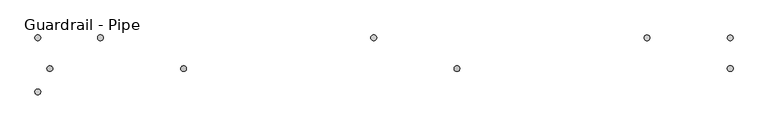
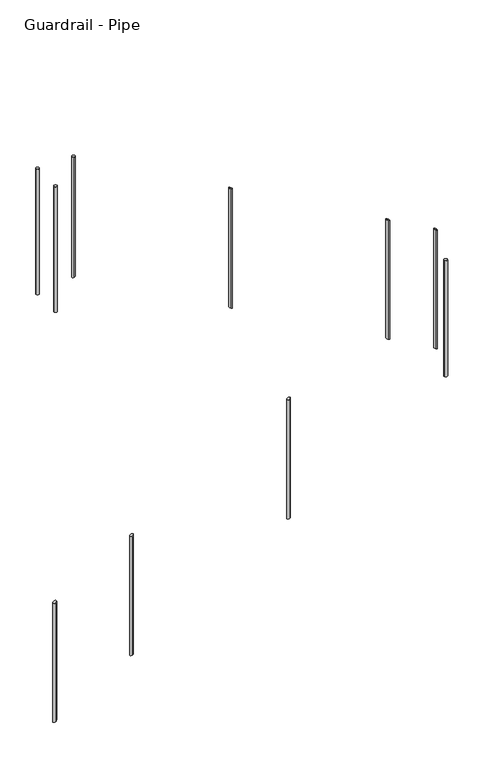
"""IFC4 building model written with IfcOpenShell, lengths in millimetres: railing geometry, Guardrail - Pipe."""

from ifc_helpers import new_model, si_unit, point, frame, frame_2d, origin, place, context, project, spatial, circle_curve, ellipse_curve, trimmed, segment, composite_curve, outline, extrude, source, transform, mapped, element, save
from ifc_brep_helpers import plane_surface, cylinder_surface, advanced_brep


def guardrail_pipe_02551e06(model_context):
    return source(origin(), model_context, "Body", "SolidModel", [
        advanced_brep(
        [(3325.1452881, -22477.3087769, 5491.3530083), (3325.1452881, -22477.3087769, 4518.1424099), (3325.1452881, -22502.7087769, 4518.1424099), (3325.1452881, -22502.7087769, 5491.3530083)],
        [
            (0, 1),
            (1, 2, ellipse_curve(frame((3325.1452881, -22490.0087769, 4518.1424099), z_axis=(-0.49465847024287274, 0.0, 0.8690874511906044), x_axis=(0.8690874511906044, 0.0, 0.49465847024287246)), 14.6130289, 12.7)),
            (2, 3),
            (3, 0, ellipse_curve(frame((3325.1452881, -22490.0087769, 5491.3530083), z_axis=(0.49465847024287474, 0.0, -0.8690874511906033), x_axis=(0.8690874511906034, 0.0, 0.4946584702428743)), 14.6130289, 12.7)),
            (0, 3, ellipse_curve(frame((3325.1452881, -22490.0087769, 5491.3530083), z_axis=(0.49465847024287474, 0.0, -0.8690874511906033), x_axis=(0.8690874511906034, 0.0, 0.4946584702428743)), 14.6130289, 12.7)),
            (2, 1, ellipse_curve(frame((3325.1452881, -22490.0087769, 4518.1424099), z_axis=(-0.49465847024287274, 0.0, 0.8690874511906044), x_axis=(0.8690874511906044, 0.0, 0.49465847024287246)), 14.6130289, 12.7)),
        ],
        [
            cylinder_surface(frame((3325.1452881, -22490.0087769, 4289.5424099), z_axis=(0.0, 0.0, 1.0), x_axis=(0.0, -1.0, 0.0)), 12.7),
            plane_surface(frame((3299.7452881, -22515.4087769, 5476.8960913), z_axis=(-0.49465847024287474, 0.0, 0.8690874511906033), x_axis=(0.0, 1.0, 0.0))),
            plane_surface(frame((3350.5452881, -22515.4087769, 4532.5993269), z_axis=(0.49465847024287274, 0.0, -0.8690874511906044), x_axis=(0.0, 1.0, 0.0))),
        ],
        [
            (0, [[1, 2, 3, 4]]),
            (0, [[-1, 5, -3, 6]]),
            (1, [[-4, -5]]),
            (2, [[-2, -6]]),
        ],
    ),
        advanced_brep(
        [(4544.3452881, -22477.3087769, 6185.2850241), (4544.3452881, -22477.3087769, 5212.0744257), (4544.3452881, -22502.7087769, 5212.0744257), (4544.3452881, -22502.7087769, 6185.2850241)],
        [
            (0, 1),
            (1, 2, ellipse_curve(frame((4544.3452881, -22490.0087769, 5212.0744257), z_axis=(-0.49465847024287274, 0.0, 0.8690874511906044), x_axis=(0.8690874511906044, 0.0, 0.49465847024287246)), 14.6130289, 12.7)),
            (2, 3),
            (3, 0, ellipse_curve(frame((4544.3452881, -22490.0087769, 6185.2850241), z_axis=(0.49465847024287474, 0.0, -0.8690874511906033), x_axis=(0.8690874511906034, 0.0, 0.4946584702428743)), 14.6130289, 12.7)),
            (0, 3, ellipse_curve(frame((4544.3452881, -22490.0087769, 6185.2850241), z_axis=(0.49465847024287474, 0.0, -0.8690874511906033), x_axis=(0.8690874511906034, 0.0, 0.4946584702428743)), 14.6130289, 12.7)),
            (2, 1, ellipse_curve(frame((4544.3452881, -22490.0087769, 5212.0744257), z_axis=(-0.49465847024287274, 0.0, 0.8690874511906044), x_axis=(0.8690874511906044, 0.0, 0.49465847024287246)), 14.6130289, 12.7)),
        ],
        [
            cylinder_surface(frame((4544.3452881, -22490.0087769, 4983.4744257), z_axis=(0.0, 0.0, 1.0), x_axis=(0.0, -1.0, 0.0)), 12.7),
            plane_surface(frame((4518.9452881, -22515.4087769, 6170.8281071), z_axis=(-0.49465847024287474, 0.0, 0.8690874511906033), x_axis=(0.0, 1.0, 0.0))),
            plane_surface(frame((4569.7452881, -22515.4087769, 5226.5313427), z_axis=(0.49465847024287274, 0.0, -0.8690874511906044), x_axis=(0.0, 1.0, 0.0))),
        ],
        [
            (0, [[1, 2, 3, 4]]),
            (0, [[-1, 5, -3, 6]]),
            (1, [[-4, -5]]),
            (2, [[-2, -6]]),
        ],
    ),
        advanced_brep(
        [(5392.1904629, -22365.5340928, 7275.3978312), (5392.1904629, -22365.5340928, 6300.8777259), (5392.1904629, -22340.1340928, 6300.8777259), (5392.1904629, -22340.1340928, 7275.3978312)],
        [
            (0, 1),
            (1, 2, ellipse_curve(frame((5392.1904629, -22352.8340928, 6300.8777259), z_axis=(0.4886065085000147, 0.0, 0.872504257784124), x_axis=(-0.872504257784124, 0.0, 0.4886065085000147)), 14.5558029, 12.7)),
            (2, 3),
            (3, 0, ellipse_curve(frame((5392.1904629, -22352.8340928, 7275.3978312), z_axis=(-0.4892060854708135, 0.0, -0.8721682211238398), x_axis=(-0.87216822112384, 0.0, 0.48920608547081335)), 14.5614111, 12.7)),
            (0, 3, ellipse_curve(frame((5392.1904629, -22352.8340928, 7275.3978312), z_axis=(-0.4892060854708135, 0.0, -0.8721682211238398), x_axis=(-0.87216822112384, 0.0, 0.48920608547081335)), 14.5614111, 12.7)),
            (2, 1, ellipse_curve(frame((5392.1904629, -22352.8340928, 6300.8777259), z_axis=(0.4886065085000147, 0.0, 0.872504257784124), x_axis=(-0.872504257784124, 0.0, 0.4886065085000147)), 14.5558029, 12.7)),
        ],
        [
            cylinder_surface(frame((5392.1904629, -22352.8340928, 6072.2777259), z_axis=(0.0, 0.0, 1.0), x_axis=(0.0, 1.0, 0.0)), 12.7),
            plane_surface(frame((5417.5904629, -22327.4340928, 7261.1507694), z_axis=(0.4892060854708135, 0.0, 0.8721682211238398), x_axis=(0.0, -1.0, 0.0))),
            plane_surface(frame((5366.7904629, -22327.4340928, 6315.1018459), z_axis=(-0.4886065085000147, 0.0, -0.872504257784124), x_axis=(0.0, -1.0, 0.0))),
        ],
        [
            (0, [[1, 2, 3, 4]]),
            (0, [[-1, 5, -3, 6]]),
            (1, [[-4, -5]]),
            (2, [[-2, -6]]),
        ],
    ),
        advanced_brep(
        [(4172.9904629, -22365.5340928, 7959.256799), (4172.9904629, -22365.5340928, 6983.6354888), (4172.9904629, -22340.1340928, 6983.6354888), (4172.9904629, -22340.1340928, 7959.256799)],
        [
            (0, 1),
            (1, 2, ellipse_curve(frame((4172.9904629, -22352.8340928, 6983.6354888), z_axis=(0.4886065085000147, 0.0, 0.872504257784124), x_axis=(-0.872504257784124, 0.0, 0.4886065085000147)), 14.5558029, 12.7)),
            (2, 3),
            (3, 0, ellipse_curve(frame((4172.9904629, -22352.8340928, 7959.256799), z_axis=(-0.4892060854708135, 0.0, -0.8721682211238398), x_axis=(-0.87216822112384, 0.0, 0.48920608547081335)), 14.5614111, 12.7)),
            (0, 3, ellipse_curve(frame((4172.9904629, -22352.8340928, 7959.256799), z_axis=(-0.4892060854708135, 0.0, -0.8721682211238398), x_axis=(-0.87216822112384, 0.0, 0.48920608547081335)), 14.5614111, 12.7)),
            (2, 1, ellipse_curve(frame((4172.9904629, -22352.8340928, 6983.6354888), z_axis=(0.4886065085000147, 0.0, 0.872504257784124), x_axis=(-0.872504257784124, 0.0, 0.4886065085000147)), 14.5558029, 12.7)),
        ],
        [
            cylinder_surface(frame((4172.9904629, -22352.8340928, 6755.0354888), z_axis=(0.0, 0.0, 1.0), x_axis=(0.0, 1.0, 0.0)), 12.7),
            plane_surface(frame((4198.3904629, -22327.4340928, 7945.0097372), z_axis=(0.4892060854708135, 0.0, 0.8721682211238398), x_axis=(0.0, -1.0, 0.0))),
            plane_surface(frame((4147.5904629, -22327.4340928, 6997.8596088), z_axis=(-0.4886065085000147, 0.0, -0.872504257784124), x_axis=(0.0, -1.0, 0.0))),
        ],
        [
            (0, [[1, 2, 3, 4]]),
            (0, [[-1, 5, -3, 6]]),
            (1, [[-4, -5]]),
            (2, [[-2, -6]]),
        ],
    ),
        extrude(outline(composite_curve([segment(trimmed(circle_curve(frame_2d((5763.5452881, -22490.0087769)), 12.7), [point((5776.2452881, -22490.0087769))], [point((5750.8452881, -22490.0087769))], False, "CARTESIAN"), True, "CONTINUOUS"), segment(trimmed(circle_curve(frame_2d((5763.5452881, -22490.0087769)), 12.7), [point((5750.8452881, -22490.0087769))], [point((5776.2452881, -22490.0087769))], False, "CARTESIAN"), True, "CONTINUOUS")], self_intersect=False)), frame((0.0, 0.0, 5946.9130435), z_axis=(0.0, 0.0, 1.0), x_axis=(1.0, 0.0, 0.0)), (0.0, 0.0, 1.0), 952.5),
        advanced_brep(
        [(5763.5452881, -22365.5340928, 7067.101959), (5763.5452881, -22365.5340928, 6092.9172684), (5763.5452881, -22340.1340928, 6092.9172684), (5763.5452881, -22340.1340928, 7067.101959)],
        [
            (0, 1),
            (1, 2, ellipse_curve(frame((5763.5452881, -22352.8340928, 6092.9172684), z_axis=(0.4886065085000147, 0.0, 0.872504257784124), x_axis=(-0.872504257784124, 0.0, 0.4886065085000147)), 14.5558029, 12.7)),
            (2, 3),
            (3, 0, ellipse_curve(frame((5763.5452881, -22352.8340928, 7067.101959), z_axis=(-0.4892060854708135, 0.0, -0.8721682211238398), x_axis=(-0.87216822112384, 0.0, 0.48920608547081335)), 14.5614111, 12.7)),
            (0, 3, ellipse_curve(frame((5763.5452881, -22352.8340928, 7067.101959), z_axis=(-0.4892060854708135, 0.0, -0.8721682211238398), x_axis=(-0.87216822112384, 0.0, 0.48920608547081335)), 14.5614111, 12.7)),
            (2, 1, ellipse_curve(frame((5763.5452881, -22352.8340928, 6092.9172684), z_axis=(0.4886065085000147, 0.0, 0.872504257784124), x_axis=(-0.872504257784124, 0.0, 0.4886065085000147)), 14.5558029, 12.7)),
        ],
        [
            cylinder_surface(frame((5763.5452881, -22352.8340928, 5864.3172684), z_axis=(0.0, 0.0, 1.0), x_axis=(0.0, 1.0, 0.0)), 12.7),
            plane_surface(frame((5788.9452881, -22327.4340928, 7052.8548972), z_axis=(0.4892060854708135, 0.0, 0.8721682211238398), x_axis=(0.0, -1.0, 0.0))),
            plane_surface(frame((5738.1452881, -22327.4340928, 6107.1413885), z_axis=(-0.4886065085000147, 0.0, -0.872504257784124), x_axis=(0.0, -1.0, 0.0))),
        ],
        [
            (0, [[1, 2, 3, 4]]),
            (0, [[-1, 5, -3, 6]]),
            (1, [[-4, -5]]),
            (2, [[-2, -6]]),
        ],
    ),
        advanced_brep(
        [(2953.7904629, -22365.5340928, 8648.7), (2953.7904629, -22365.5340928, 7666.3932517), (2953.7904629, -22340.1340928, 7666.3932517), (2953.7904629, -22340.1340928, 8648.7)],
        [
            (0, 1),
            (1, 2, ellipse_curve(frame((2953.7904629, -22352.8340928, 7666.3932517), z_axis=(-0.48860650850001475, 0.0, 0.872504257784124), x_axis=(0.8725042577841241, 0.0, 0.4886065085000147)), 14.5558029, 12.7)),
            (2, 3),
            (3, 0, circle_curve(frame((2953.7904629, -22352.8340928, 8648.7), z_axis=(0.0, 0.0, -1.0), x_axis=(0.0, 1.0, 0.0)), 12.7)),
            (0, 3, circle_curve(frame((2953.7904629, -22352.8340928, 8648.7), z_axis=(0.0, 0.0, -1.0), x_axis=(0.0, 1.0, 0.0)), 12.7)),
            (2, 1, ellipse_curve(frame((2953.7904629, -22352.8340928, 7666.3932517), z_axis=(-0.48860650850001475, 0.0, 0.872504257784124), x_axis=(0.8725042577841241, 0.0, 0.4886065085000147)), 14.5558029, 12.7)),
        ],
        [
            cylinder_surface(frame((2953.7904629, -22352.8340928, 7437.7932517), z_axis=(0.0, 0.0, 1.0), x_axis=(0.0, 1.0, 0.0)), 12.7),
            plane_surface(frame((2979.1904629, -22327.4340928, 8648.7), z_axis=(0.0, 0.0, 1.0), x_axis=(0.0, -1.0, 0.0))),
            plane_surface(frame((2928.3904629, -22327.4340928, 7652.1691316), z_axis=(0.48860650850001475, 0.0, -0.872504257784124), x_axis=(0.0, -1.0, 0.0))),
        ],
        [
            (0, [[1, 2, 3, 4]]),
            (0, [[-1, 5, -3, 6]]),
            (1, [[-4, -5]]),
            (2, [[-2, -6]]),
        ],
    ),
        extrude(outline(composite_curve([segment(trimmed(circle_curve(frame_2d((2674.3904629, -22352.8340928)), 12.7), [point((2661.6904629, -22352.8340928))], [point((2687.0904629, -22352.8340928))], False, "CARTESIAN"), True, "CONTINUOUS"), segment(trimmed(circle_curve(frame_2d((2674.3904629, -22352.8340928)), 12.7), [point((2687.0904629, -22352.8340928))], [point((2661.6904629, -22352.8340928))], False, "CARTESIAN"), True, "CONTINUOUS")], self_intersect=False)), frame((0.0, 0.0, 7620.0), z_axis=(0.0, 0.0, 1.0), x_axis=(1.0, 0.0, 0.0)), (0.0, 0.0, 1.0), 1028.7),
        advanced_brep(
        [(2728.2452881, -22477.3087769, 5151.6154589), (2728.2452881, -22477.3087769, 4178.4048605), (2728.2452881, -22502.7087769, 4178.4048605), (2728.2452881, -22502.7087769, 5151.6154589)],
        [
            (0, 1),
            (1, 2, ellipse_curve(frame((2728.2452881, -22490.0087769, 4178.4048605), z_axis=(-0.49465847024287274, 0.0, 0.8690874511906044), x_axis=(0.8690874511906044, 0.0, 0.49465847024287246)), 14.6130289, 12.7)),
            (2, 3),
            (3, 0, ellipse_curve(frame((2728.2452881, -22490.0087769, 5151.6154589), z_axis=(0.49465847024287474, 0.0, -0.8690874511906033), x_axis=(0.8690874511906034, 0.0, 0.4946584702428743)), 14.6130289, 12.7)),
            (0, 3, ellipse_curve(frame((2728.2452881, -22490.0087769, 5151.6154589), z_axis=(0.49465847024287474, 0.0, -0.8690874511906033), x_axis=(0.8690874511906034, 0.0, 0.4946584702428743)), 14.6130289, 12.7)),
            (2, 1, ellipse_curve(frame((2728.2452881, -22490.0087769, 4178.4048605), z_axis=(-0.49465847024287274, 0.0, 0.8690874511906044), x_axis=(0.8690874511906044, 0.0, 0.49465847024287246)), 14.6130289, 12.7)),
        ],
        [
            cylinder_surface(frame((2728.2452881, -22490.0087769, 3949.8048605), z_axis=(0.0, 0.0, 1.0), x_axis=(0.0, -1.0, 0.0)), 12.7),
            plane_surface(frame((2702.8452881, -22515.4087769, 5137.1585419), z_axis=(-0.49465847024287474, 0.0, 0.8690874511906033), x_axis=(0.0, 1.0, 0.0))),
            plane_surface(frame((2753.6452881, -22515.4087769, 4192.8617775), z_axis=(0.49465847024287274, 0.0, -0.8690874511906044), x_axis=(0.0, 1.0, 0.0))),
        ],
        [
            (0, [[1, 2, 3, 4]]),
            (0, [[-1, 5, -3, 6]]),
            (1, [[-4, -5]]),
            (2, [[-2, -6]]),
        ],
    ),
        extrude(outline(composite_curve([segment(trimmed(circle_curve(frame_2d((2674.3904629, -22594.1340928)), 12.7), [point((2661.6904629, -22594.1340928))], [point((2687.0904629, -22594.1340928))], False, "CARTESIAN"), True, "CONTINUOUS"), segment(trimmed(circle_curve(frame_2d((2674.3904629, -22594.1340928)), 12.7), [point((2687.0904629, -22594.1340928))], [point((2661.6904629, -22594.1340928))], False, "CARTESIAN"), True, "CONTINUOUS")], self_intersect=False)), frame((0.0, 0.0, 7620.0), z_axis=(0.0, 0.0, 1.0), x_axis=(1.0, 0.0, 0.0)), (0.0, 0.0, 1.0), 1028.7),
    ])


if __name__ == "__main__":
    model = new_model("IFC4")
    model_context = context("Model", 3, world=origin())
    ifc_project = project(units=[si_unit("LENGTHUNIT", "METRE", prefix="MILLI")], contexts=[model_context])
    site = spatial("IfcSite", under=ifc_project)
    building = spatial("IfcBuilding", under=site)
    placement = place(None, origin())
    guardrail_pipe_shape = guardrail_pipe_02551e06(model_context)
    element("IfcRailing", 1, ObjectType="Guardrail - Pipe", at=placement, inside=building, context=model_context, shape_type="MappedRepresentation", body=[
        mapped(guardrail_pipe_shape, transform((0.0, 0.0, 0.0), x_axis=(1.0, 0.0, 0.0), y_axis=(0.0, 1.0, 0.0), z_axis=(0.0, 0.0, 1.0))),
    ])
    save(model, "model.ifc")
